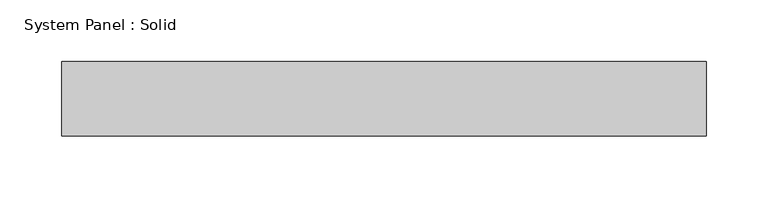
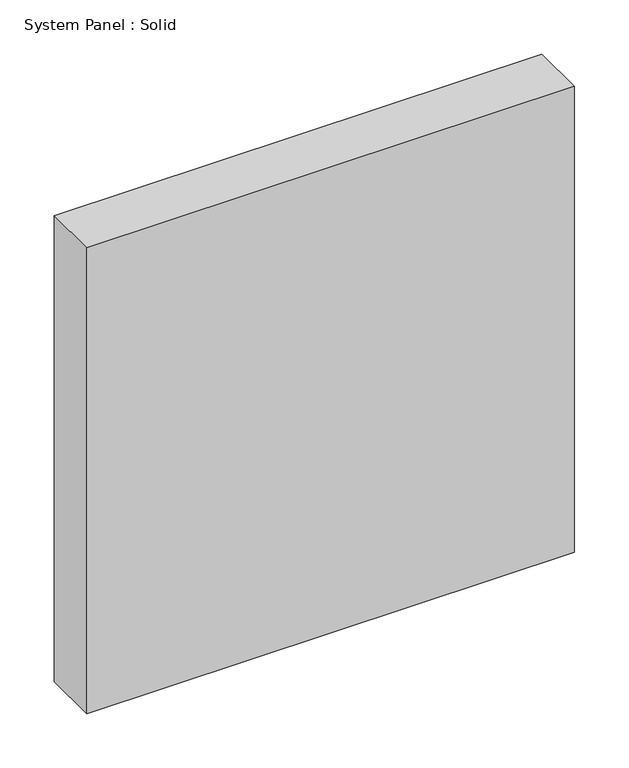
"""IFC4 building model written with IfcOpenShell, lengths in millimetres: plate geometry, System Panel : Solid."""

from ifc_helpers import new_model, si_unit, origin, origin_with_axes, place, context, project, spatial, polyline, outline, extrude, source, transform, mapped, element, save


def system_panel_solid_03553b15(model_context):
    return source(origin(), model_context, "Body", "SweptSolid", [
        extrude(outline(polyline([(260.0, -10.5), (-260.0, -10.5), (-260.0, 49.5), (260.0, 49.5), (260.0, -10.5)])), origin_with_axes(), (0.0, 0.0, 1.0), 525.0),
    ])


if __name__ == "__main__":
    model = new_model("IFC4")
    model_context = context("Model", 3, world=origin())
    ifc_project = project(units=[si_unit("LENGTHUNIT", "METRE", prefix="MILLI")], contexts=[model_context])
    site = spatial("IfcSite", under=ifc_project)
    building = spatial("IfcBuilding", under=site)
    placement = place(None, origin())
    system_panel_solid_shape = system_panel_solid_03553b15(model_context)
    element("IfcPlate", 1, ObjectType="System Panel : Solid", at=placement, inside=building, context=model_context, shape_type="MappedRepresentation", body=[
        mapped(system_panel_solid_shape, transform((0.0, 0.0, 0.0), x_axis=(1.0, 0.0, 0.0), y_axis=(0.0, 1.0, 0.0), z_axis=(0.0, 0.0, 1.0))),
    ])
    save(model, "model.ifc")
